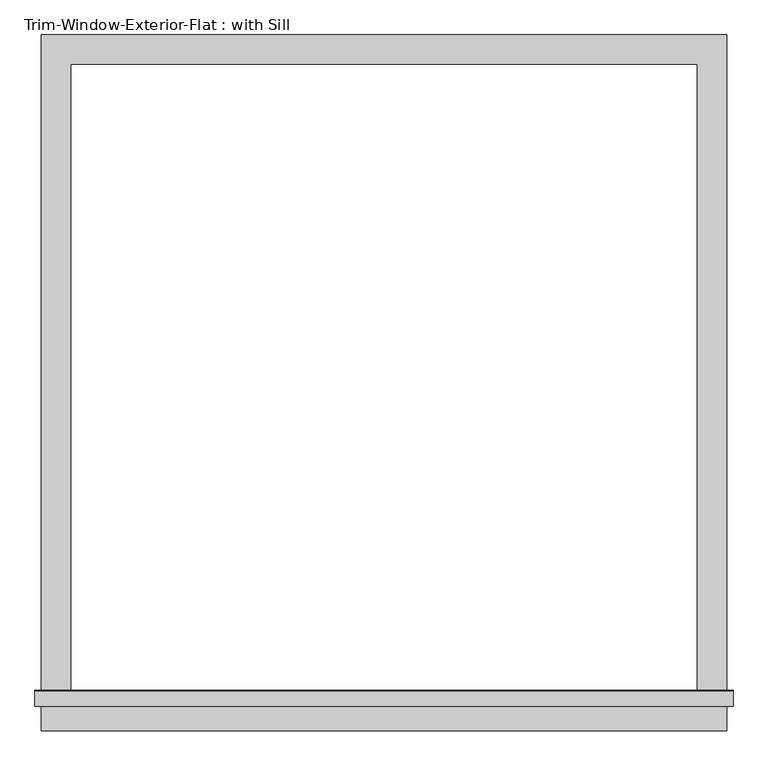
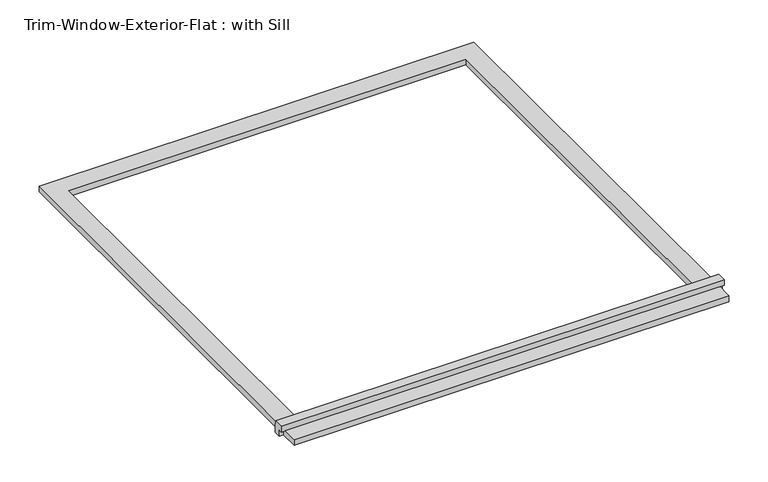
"""IFC4 building model written with IfcOpenShell, lengths in millimetres: proxy geometry, Trim-Window-Exterior-Flat : with Sill."""

from ifc_helpers import new_model, si_unit, frame, origin, origin_with_axes, place, context, project, spatial, polyline, outline, extrude, source, transform, mapped, element, save


def trim_window_exterior_flat_with_sill_7cfdd449(model_context):
    return source(origin(), model_context, "Body", "SweptSolid", [
        extrude(outline(polyline([(666.75, -1241.3823709), (666.75, -1298.5323709), (-666.75, -1298.5323709), (-666.75, -1241.3823709), (666.75, -1241.3823709)])), origin_with_axes(), (0.0, 0.0, 1.0), 19.05),
        extrude(outline(polyline([(-1250.95, 38.1), (-1221.6580645, 38.1), (-1219.2, 19.05), (-1219.2, 0.0), (-1241.3823709, 0.0), (-1241.3823709, 19.05), (-1250.95, 19.05), (-1250.95, 38.1)])), frame((-679.45, 0.0, 0.0), z_axis=(1.0, 0.0, 0.0), x_axis=(0.0, 1.0, 0.0)), (0.0, 0.0, 1.0), 1358.9),
        extrude(outline(polyline([(-666.75, 57.15), (666.75, 57.15), (666.75, -1219.2), (609.6, -1219.2), (609.6, 0.0), (-609.6, 0.0), (-609.6, -1219.2), (-666.75, -1219.2), (-666.75, 57.15)])), origin_with_axes(), (0.0, 0.0, 1.0), 19.05),
    ])


if __name__ == "__main__":
    model = new_model("IFC4")
    model_context = context("Model", 3, world=origin())
    ifc_project = project(units=[si_unit("LENGTHUNIT", "METRE", prefix="MILLI")], contexts=[model_context])
    site = spatial("IfcSite", under=ifc_project)
    building = spatial("IfcBuilding", under=site)
    placement = place(None, origin())
    trim_window_exterior_flat_with_sill_shape = trim_window_exterior_flat_with_sill_7cfdd449(model_context)
    element("IfcBuildingElementProxy", 1, Name="Trim-Window-Exterior-Flat : with Sill", ObjectType="Trim-Window-Exterior-Flat : with Sill", at=placement, inside=building, context=model_context, shape_type="MappedRepresentation", body=[
        mapped(trim_window_exterior_flat_with_sill_shape, transform((0.0, 0.0, 0.0), x_axis=(1.0, 0.0, 0.0), y_axis=(0.0, 1.0, 0.0), z_axis=(0.0, 0.0, 1.0))),
    ])
    save(model, "model.ifc")
